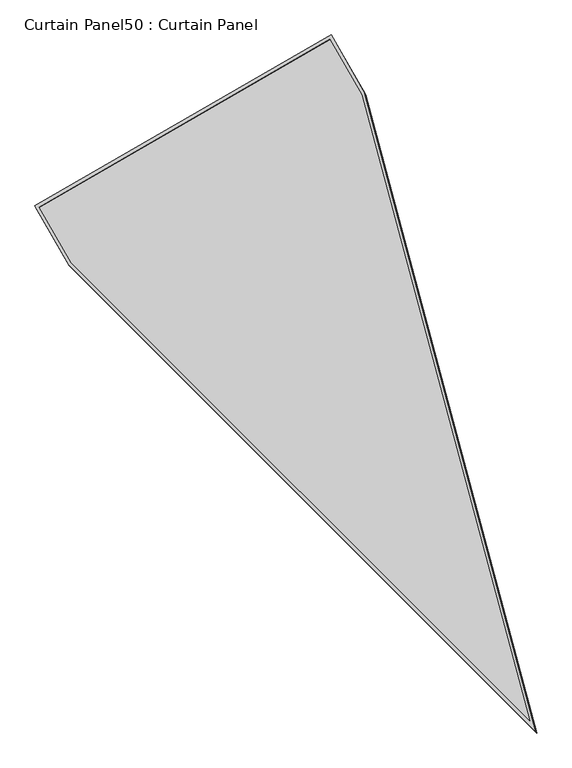
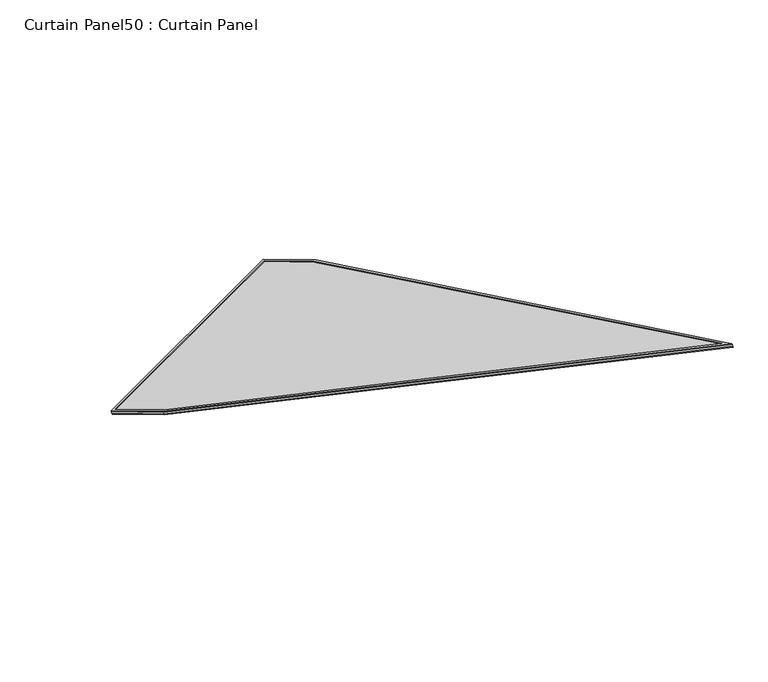
"""IFC4 building model written with IfcOpenShell, lengths in millimetres: plate geometry, Curtain Panel50 : Curtain Panel."""

from ifc_helpers import new_model, si_unit, frame, origin, place, context, project, spatial, polyline, outline, extrude, source, transform, mapped, element, save


def curtain_panel50_curtain_panel_88ce2719(model_context):
    return source(origin(), model_context, "Body", "SweptSolid", [
        extrude(outline(polyline([(847.4221258, -3687.434221), (0.0, -353.8334351), (0.0, 0.0), (1694.8442516, 0.0), (1694.8442516, -353.833435), (847.4221258, -3687.434221)]), holes=[polyline([(1678.1741301, -16.6701216), (16.6701215, -16.6701216), (16.6701215, -351.7477773), (847.4221258, -3619.7714105), (1678.17413, -351.7477774), (1678.1741301, -16.6701216)])]), frame((9776.5536267, 3989.1601276, 1932.6225488), z_axis=(-0.15807291198692475, 0.27379031486172484, 0.9487106081328972), x_axis=(0.8660254037844441, 0.49999999999999056, 0.0)), (0.0, 0.0, 1.0), 4.8780661),
        extrude(outline(polyline([(847.4221259, -3687.4342211), (1e-07, -353.833435), (0.0, 0.0), (1694.8442517, 1e-07), (1694.8442517, -353.833435), (847.4221259, -3687.4342211)]), holes=[polyline([(1684.5241301, -10.3201216), (10.3201216, -10.3201215), (10.3201217, -352.5422482), (847.4221259, -3645.5455984), (1684.5241301, -352.5422482), (1684.5241301, -10.3201216)])]), frame((9779.3326574, 3984.3467051, 1915.9435624), z_axis=(-0.1580729119869036, 0.27379031486168837, 0.9487106081329113), x_axis=(0.8660254037844443, 0.4999999999999904, 0.0)), (0.0, 0.0, 1.0), 4.613255),
        extrude(outline(polyline([(12.7, 0.0), (1707.5442515, 0.0), (1707.5442515, -353.8334351), (860.1221257, -3687.4342211), (12.7, -353.8334351), (12.7, 0.0)])), frame((9767.6049042, 3979.2597697, 1920.3202063), z_axis=(-0.1580729119868992, 0.2737903148616806, 0.9487106081329143), x_axis=(0.8660254037844441, 0.4999999999999906, 0.0)), (0.0, 0.0, 1.0), 12.9674343),
    ])


if __name__ == "__main__":
    model = new_model("IFC4")
    model_context = context("Model", 3, world=origin())
    ifc_project = project(units=[si_unit("LENGTHUNIT", "METRE", prefix="MILLI")], contexts=[model_context])
    site = spatial("IfcSite", under=ifc_project)
    building = spatial("IfcBuilding", under=site)
    placement = place(None, origin())
    curtain_panel50_curtain_panel_shape = curtain_panel50_curtain_panel_88ce2719(model_context)
    element("IfcPlate", 1, ObjectType="Curtain Panel50 : Curtain Panel", at=placement, inside=building, context=model_context, shape_type="MappedRepresentation", body=[
        mapped(curtain_panel50_curtain_panel_shape, transform((0.0, 0.0, 0.0), x_axis=(1.0, 0.0, 0.0), y_axis=(0.0, 1.0, 0.0), z_axis=(0.0, 0.0, 1.0))),
    ])
    save(model, "model.ifc")
